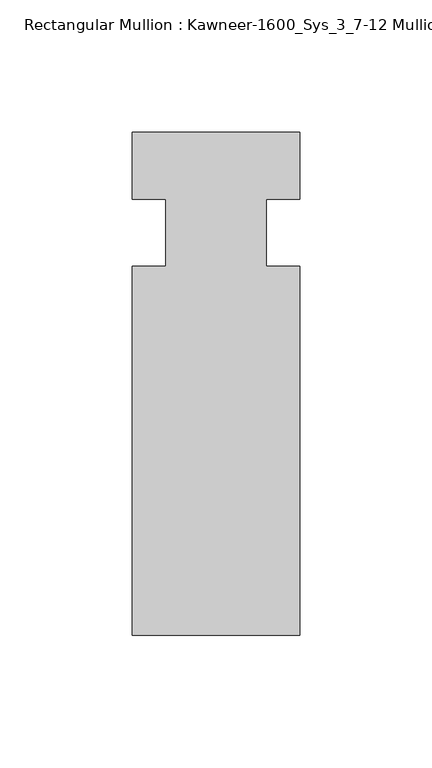
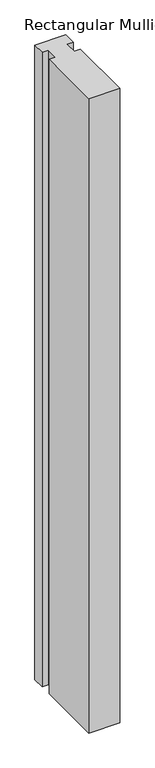
"""IFC4 building model written with IfcOpenShell, lengths in millimetres: member geometry, Rectangular Mullion : Kawneer-1600_Sys_3_7-12 Mullion_Horizontal."""

from ifc_helpers import new_model, si_unit, frame, origin, place, context, project, spatial, polyline, outline, extrude, source, transform, mapped, element, save


def rectangular_mullion_kawneer_1600_sys_3_7_12_mullion_f4473d3c(model_context):
    return source(origin(), model_context, "Body", "SweptSolid", [
        extrude(outline(polyline([(36.0844027, -152.4), (-27.4155973, -152.4), (-27.4155973, -12.7), (-14.7155973, -12.7), (-14.7155973, 12.7), (-27.4155973, 12.7), (-27.4155973, 38.1), (36.0844027, 38.1), (36.0844027, 12.7), (23.3826322, 12.7), (23.3826322, -12.7), (36.0844027, -12.7), (36.0844027, -152.4)])), frame((0.0, 0.0, -1373.6155973), z_axis=(0.0, 0.0, 1.0), x_axis=(1.0, 0.0, 0.0)), (0.0, 0.0, 1.0), 1373.6155973),
    ])


if __name__ == "__main__":
    model = new_model("IFC4")
    model_context = context("Model", 3, world=origin())
    ifc_project = project(units=[si_unit("LENGTHUNIT", "METRE", prefix="MILLI")], contexts=[model_context])
    site = spatial("IfcSite", under=ifc_project)
    building = spatial("IfcBuilding", under=site)
    placement = place(None, origin())
    rectangular_mullion_kawneer_1600_sys_3_7_12_mullion_shape = rectangular_mullion_kawneer_1600_sys_3_7_12_mullion_f4473d3c(model_context)
    element("IfcMember", 1, ObjectType="Rectangular Mullion : Kawneer-1600_Sys_3_7-12 Mullion_Horizontal", at=placement, inside=building, context=model_context, shape_type="MappedRepresentation", body=[
        mapped(rectangular_mullion_kawneer_1600_sys_3_7_12_mullion_shape, transform((0.0, 0.0, 0.0), x_axis=(1.0, 0.0, 0.0), y_axis=(0.0, 1.0, 0.0), z_axis=(0.0, 0.0, 1.0))),
    ])
    save(model, "model.ifc")
